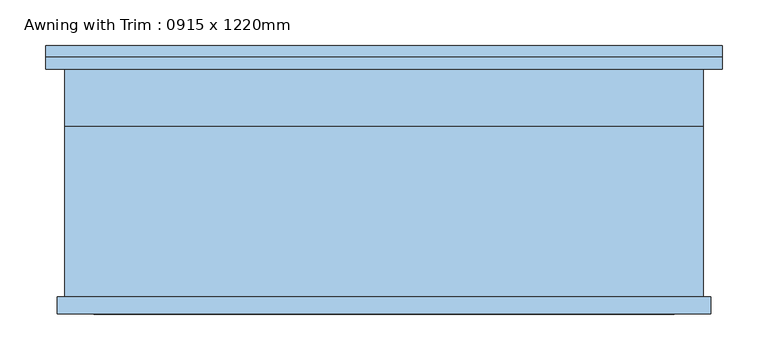
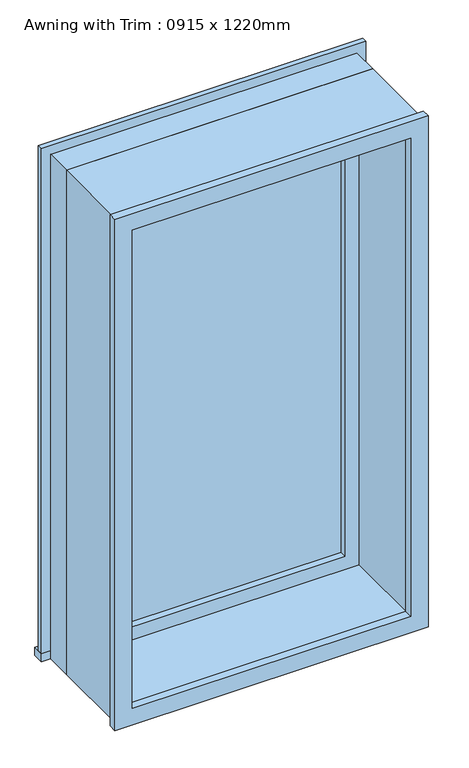
"""IFC4 building model written with IfcOpenShell, lengths in millimetres: window geometry, Awning with Trim : 0915 x 1220mm."""

import ifcopenshell
import ifcopenshell.guid

model = None  # the IFC model being written
_history = None  # IfcOwnerHistory: only IFC2X3 demands one
_inside = {}  # id of a spatial element -> (the spatial element, [elements in it])
_under = {}  # id of a project, library or spatial element -> (it, [spatial elements below it])
_declared = {}  # id of a project -> (the project, [libraries it declares])
_typed = {}  # id of a type object -> (the type object, [elements of that type])
_made_of = {}  # id of a material, layer set ... -> (it, [elements and type objects made of it])


def new_model(schema):
    """Start an empty IFC model of exactly this schema.

    Asked for "IFC4X3", IfcOpenShell would pick the latest addendum, in which some entities
    have other attributes; the version numbers below select the first issue.
    IFC2X3 requires an IfcOwnerHistory on every rooted entity: one is made here for all.
    """
    global model, _history
    if schema == "IFC4X3":
        model = ifcopenshell.file(schema_version=(4, 3, 0, 0))
    else:
        model = ifcopenshell.file(schema=schema)
    _inside.clear()
    _under.clear()
    _declared.clear()
    _typed.clear()
    _made_of.clear()
    _history = None
    if model.schema == "IFC2X3":
        org = make("IfcOrganization", Name="unknown")
        user = make(
            "IfcPersonAndOrganization",
            ThePerson=make("IfcPerson", FamilyName="unknown"),
            TheOrganization=org,
        )
        app = make(
            "IfcApplication",
            ApplicationDeveloper=org,
            Version="unknown",
            ApplicationFullName="unknown",
            ApplicationIdentifier="unknown",
        )
        _history = make(
            "IfcOwnerHistory",
            OwningUser=user,
            OwningApplication=app,
            ChangeAction="ADDED",
            CreationDate=0,
        )
    return model


def make(cls, **values):
    """One entity of the class cls with the attributes given. An attribute that is None is left unset."""
    return model.create_entity(
        cls, **{name: value for name, value in values.items() if value is not None}
    )


def rooted(cls, **values):
    """An entity with a GlobalId (a new one), such as an element, a storey or a relation."""
    return make(cls, GlobalId=ifcopenshell.guid.new(), OwnerHistory=_history, **values)


def si_unit(unit_type, name, prefix=None):
    """IfcSIUnit, for example si_unit("LENGTHUNIT", "METRE", prefix="MILLI")."""
    return make("IfcSIUnit", UnitType=unit_type, Prefix=prefix, Name=name)


def assignment(units):
    """IfcUnitAssignment: the units of a project."""
    return None if units is None else make("IfcUnitAssignment", Units=units)


def point(xyz):
    """IfcCartesianPoint."""
    return None if xyz is None else make("IfcCartesianPoint", Coordinates=xyz)


def direction(xyz):
    """IfcDirection."""
    return None if xyz is None else make("IfcDirection", DirectionRatios=xyz)


def frame(location, z_axis=None, x_axis=None):
    """IfcAxis2Placement3D, a coordinate frame: its origin and axes. An axis left out is left unset."""
    return make(
        "IfcAxis2Placement3D",
        Location=point(location),
        Axis=direction(z_axis),
        RefDirection=direction(x_axis),
    )


def origin():
    """The frame at (0, 0, 0) with its axes left unset."""
    return frame((0.0, 0.0, 0.0))


def place(relative_to, where):
    """IfcLocalPlacement: puts the frame where relative to a parent placement (None: the world)."""
    return make(
        "IfcLocalPlacement", PlacementRelTo=relative_to, RelativePlacement=where
    )


def context(
    kind, dimensions, precision=None, world=None, true_north=None, identifier=None
):
    """IfcGeometricRepresentationContext, for example the 3D "Model" context."""
    return make(
        "IfcGeometricRepresentationContext",
        ContextIdentifier=identifier,
        ContextType=kind,
        CoordinateSpaceDimension=dimensions,
        Precision=precision,
        WorldCoordinateSystem=world,
        TrueNorth=true_north,
    )


def project(units=None, contexts=None):
    """IfcProject with its units and contexts."""
    return rooted(
        "IfcProject",
        Name="project",
        RepresentationContexts=contexts,
        UnitsInContext=assignment(units),
    )


def spatial(cls, under=None, at=None, **own):
    """A site, building, storey or space (cls), placed at a placement, below another one or the project."""
    s = rooted(cls, ObjectPlacement=at, **own)
    if under is not None:
        _under.setdefault(under.id(), (under, []))[1].append(s)
    return s


def polyline(points):
    """IfcPolyline through the points."""
    return make("IfcPolyline", Points=[point(p) for p in points])


def outline(outer, holes=None, kind="AREA"):
    """IfcArbitraryClosedProfileDef: a profile drawn as a closed curve; with holes, ...WithVoids."""
    if holes is None:
        return make("IfcArbitraryClosedProfileDef", ProfileType=kind, OuterCurve=outer)
    return make(
        "IfcArbitraryProfileDefWithVoids",
        ProfileType=kind,
        OuterCurve=outer,
        InnerCurves=holes,
    )


def extrude(swept, where, along, depth):
    """IfcExtrudedAreaSolid: the profile swept, set in the frame where, extruded along a direction by depth."""
    return make(
        "IfcExtrudedAreaSolid",
        SweptArea=swept,
        Position=where,
        ExtrudedDirection=direction(along),
        Depth=depth,
    )


def shape(context_of_items, identifier, shape_type, items):
    """IfcShapeRepresentation: the items that make up one representation, for example the "Body"."""
    return make(
        "IfcShapeRepresentation",
        ContextOfItems=context_of_items,
        RepresentationIdentifier=identifier,
        RepresentationType=shape_type,
        Items=items,
    )


def source(mapping_origin, context_of_items, identifier, shape_type, items):
    """IfcRepresentationMap: a shape defined once, which mapped items show again and again."""
    return make(
        "IfcRepresentationMap",
        MappingOrigin=mapping_origin,
        MappedRepresentation=shape(context_of_items, identifier, shape_type, items),
    )


def transform(
    local_origin,
    x_axis=None,
    y_axis=None,
    z_axis=None,
    scale=None,
    scale2=None,
    scale3=None,
    uniform=True,
):
    """IfcCartesianTransformationOperator3D, or its non-uniform kind. x_axis, y_axis, z_axis: its Axis1, 2, 3."""
    if uniform:
        return make(
            "IfcCartesianTransformationOperator3D",
            Axis1=direction(x_axis),
            Axis2=direction(y_axis),
            LocalOrigin=point(local_origin),
            Scale=scale,
            Axis3=direction(z_axis),
        )
    return make(
        "IfcCartesianTransformationOperator3DnonUniform",
        Axis1=direction(x_axis),
        Axis2=direction(y_axis),
        LocalOrigin=point(local_origin),
        Scale=scale,
        Axis3=direction(z_axis),
        Scale2=scale2,
        Scale3=scale3,
    )


def mapped(mapping_source, mapping_target):
    """IfcMappedItem: shows the shape of a source again, moved by a transform."""
    return make(
        "IfcMappedItem", MappingSource=mapping_source, MappingTarget=mapping_target
    )


def made_of(thing, what):
    """Note that an element or type object is made of a material, layer set ...; save() writes the relation."""
    if what is not None:
        _made_of.setdefault(what.id(), (what, []))[1].append(thing)
    return thing


def element(
    cls,
    number,
    at=None,
    inside=None,
    cuts=None,
    type_object=None,
    material=None,
    context=None,
    identifier="Body",
    shape_type=None,
    held_by="IfcProductDefinitionShape",
    body=None,
    shapes=None,
    **own,
):
    """One element of the class cls, such as IfcWall. Its Tag is "e" and its number.

    at: its placement. inside: the storey or other place that contains it. cuts: it is an
    opening in that element (IfcRelVoidsElement). A single representation is given by context,
    identifier, shape_type and body (its items); several are given by shapes. held_by: the class
    of the entity that holds the representations. save() writes the other relations.
    """
    e = rooted(cls, Tag="e%d" % number, ObjectPlacement=at, **own)
    if body is not None:
        shapes = [shape(context, identifier, shape_type, body)]
    if shapes is not None:
        e.Representation = make(held_by, Representations=shapes)
    if inside is not None:
        _inside.setdefault(inside.id(), (inside, []))[1].append(e)
    if cuts is not None:
        rooted(
            "IfcRelVoidsElement", RelatingBuildingElement=cuts, RelatedOpeningElement=e
        )
    if type_object is not None:
        _typed.setdefault(type_object.id(), (type_object, []))[1].append(e)
    return made_of(e, material)


def aggregate(whole, parts):
    """IfcRelAggregates: a whole, such as a stair, and the parts it consists of."""
    return rooted("IfcRelAggregates", RelatingObject=whole, RelatedObjects=parts)


def save(model, path):
    """Write the relations noted so far, then the file.

    IfcRelAggregates (storeys below a building ...), IfcRelContainedInSpatialStructure (elements
    in a storey), IfcRelDefinesByType, IfcRelAssociatesMaterial and IfcRelDeclares: one each for
    every whole, place, type object, material and project.
    """
    for whole, parts in _under.values():
        aggregate(whole, parts)
    for where, things in _inside.values():
        rooted(
            "IfcRelContainedInSpatialStructure",
            RelatedElements=things,
            RelatingStructure=where,
        )
    for kind, things in _typed.values():
        rooted("IfcRelDefinesByType", RelatedObjects=things, RelatingType=kind)
    for what, things in _made_of.values():
        rooted("IfcRelAssociatesMaterial", RelatedObjects=things, RelatingMaterial=what)
    for by, libraries in _declared.values():
        rooted("IfcRelDeclares", RelatingContext=by, RelatedDefinitions=libraries)
    model.write(path)


def awning_with_trim_0915_x_1220mm_f20be387(model_context):
    return source(origin(), model_context, "Body", "SweptSolid", [
        extrude(outline(polyline([(-370.95, 150.7), (370.95, 150.7), (370.95, 125.0), (-370.95, 125.0), (-370.95, 150.7)])), frame((0.0, 0.0, 915.0), z_axis=(0.0, 0.0, 1.0), x_axis=(1.0, 0.0, 0.0)), (0.0, 0.0, 1.0), 19.05),
        extrude(outline(polyline([(2115.95, -330.95), (2115.95, 330.95), (934.05, 330.95), (934.05, 370.95), (2155.95, 370.95), (2155.95, -370.95), (934.05, -370.95), (934.05, -330.95), (2115.95, -330.95)])), frame((0.0, 125.0, 0.0), z_axis=(0.0, 1.0, 0.0), x_axis=(0.0, 0.0, 1.0)), (0.0, 0.0, 1.0), 13.0),
        extrude(outline(polyline([(2143.25, 358.25), (2143.25, -358.25), (906.75, -358.25), (906.75, 358.25), (2143.25, 358.25)]), holes=[polyline([(2103.25, 318.25), (946.75, 318.25), (946.75, -318.25), (2103.25, -318.25), (2103.25, 318.25)])]), frame((0.0, -144.0, 0.0), z_axis=(0.0, 1.0, 0.0), x_axis=(0.0, 0.0, 1.0)), (0.0, 0.0, 1.0), 19.0),
        extrude(outline(polyline([(286.5, 77.425), (-286.5, 77.425), (-286.5, 90.125), (286.5, 90.125), (286.5, 77.425)])), frame((0.0, 0.0, 978.5), z_axis=(0.0, 0.0, 1.0), x_axis=(1.0, 0.0, 0.0)), (0.0, 0.0, 1.0), 1093.0),
        extrude(outline(polyline([(2115.95, -330.95), (934.05, -330.95), (934.05, 330.95), (2115.95, 330.95), (2115.95, -330.95)]), holes=[polyline([(2071.5, -286.5), (2071.5, 286.5), (978.5, 286.5), (978.5, -286.5), (2071.5, -286.5)])]), frame((0.0, 61.55, 0.0), z_axis=(0.0, 1.0, 0.0), x_axis=(0.0, 0.0, 1.0)), (0.0, 0.0, 1.0), 44.45),
        extrude(outline(polyline([(2135.0, -350.0), (915.0, -350.0), (915.0, 350.0), (2135.0, 350.0), (2135.0, -350.0)]), holes=[polyline([(2103.25, -318.25), (2103.25, 318.25), (946.75, 318.25), (946.75, -318.25), (2103.25, -318.25)])]), frame((0.0, -125.0, 0.0), z_axis=(0.0, 1.0, 0.0), x_axis=(0.0, 0.0, 1.0)), (0.0, 0.0, 1.0), 186.55),
        extrude(outline(polyline([(2135.0, 350.0), (2135.0, -350.0), (915.0, -350.0), (915.0, 350.0), (2135.0, 350.0)]), holes=[polyline([(2115.95, 330.95), (934.05, 330.95), (934.05, -330.95), (2115.95, -330.95), (2115.95, 330.95)])]), frame((0.0, 61.55, 0.0), z_axis=(0.0, 1.0, 0.0), x_axis=(0.0, 0.0, 1.0)), (0.0, 0.0, 1.0), 63.45),
    ])


if __name__ == "__main__":
    model = new_model("IFC4")
    model_context = context("Model", 3, world=origin())
    ifc_project = project(units=[si_unit("LENGTHUNIT", "METRE", prefix="MILLI")], contexts=[model_context])
    site = spatial("IfcSite", under=ifc_project)
    building = spatial("IfcBuilding", under=site)
    placement = place(None, origin())
    awning_with_trim_0915_x_1220mm_shape = awning_with_trim_0915_x_1220mm_f20be387(model_context)
    element("IfcWindow", 1, ObjectType="Awning with Trim : 0915 x 1220mm", at=placement, inside=building, context=model_context, shape_type="MappedRepresentation", body=[
        mapped(awning_with_trim_0915_x_1220mm_shape, transform((0.0, 0.0, 0.0), x_axis=(1.0, 0.0, 0.0), y_axis=(0.0, 1.0, 0.0), z_axis=(0.0, 0.0, 1.0))),
    ])
    save(model, "model.ifc")
